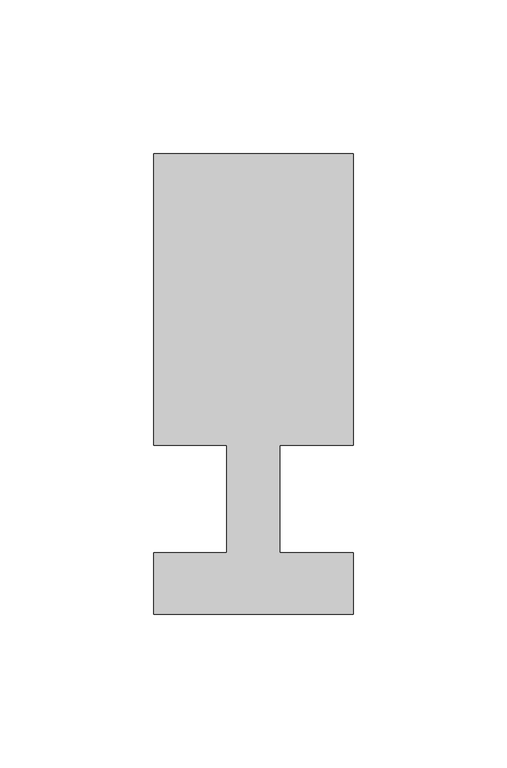
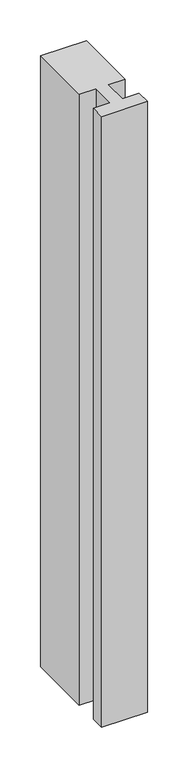
"""IFC4 building model written with IfcOpenShell, lengths in millimetres: member geometry."""

from ifc_helpers import new_model, si_unit, frame, origin, place, context, project, spatial, polyline, outline, extrude, source, transform, mapped, element, save


def member_0b36065c(model_context):
    return source(origin(), model_context, "Body", "SweptSolid", [
        extrude(outline(polyline([(-32.5, -37.0), (-32.5, -17.0), (-8.6875, -17.0), (-8.6875, 18.0), (-32.5, 18.0), (-32.5, 113.0), (32.5, 113.0), (32.5, 18.0), (8.6875, 18.0), (8.6875, -17.0), (32.5, -17.0), (32.5, -37.0), (-32.5, -37.0)])), frame((0.0, 0.0, -916.1875), z_axis=(0.0, 0.0, 1.0), x_axis=(1.0, 0.0, 0.0)), (0.0, 0.0, 1.0), 916.1875),
    ])


if __name__ == "__main__":
    model = new_model("IFC4")
    model_context = context("Model", 3, world=origin())
    ifc_project = project(units=[si_unit("LENGTHUNIT", "METRE", prefix="MILLI")], contexts=[model_context])
    site = spatial("IfcSite", under=ifc_project)
    building = spatial("IfcBuilding", under=site)
    placement = place(None, origin())
    member_shape = member_0b36065c(model_context)
    element("IfcMember", 1, at=placement, inside=building, context=model_context, shape_type="MappedRepresentation", body=[
        mapped(member_shape, transform((0.0, 0.0, 0.0), x_axis=(1.0, 0.0, 0.0), y_axis=(0.0, 1.0, 0.0), z_axis=(0.0, 0.0, 1.0))),
    ])
    save(model, "model.ifc")
